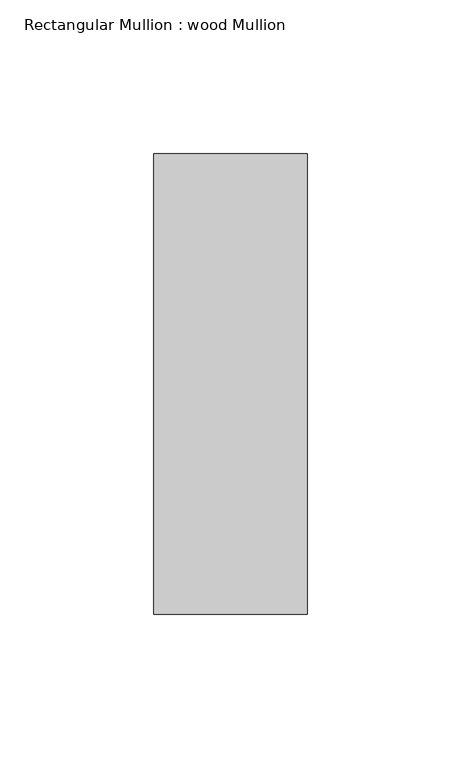
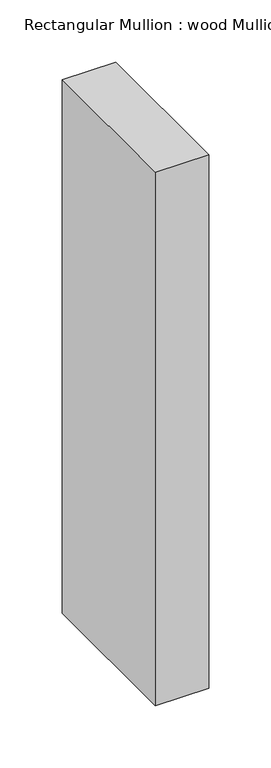
"""IFC4 building model written with IfcOpenShell, lengths in millimetres: member geometry, Rectangular Mullion : wood Mullion."""

from ifc_helpers import new_model, si_unit, frame, origin, place, context, project, spatial, polyline, outline, extrude, source, transform, mapped, element, save


def rectangular_mullion_wood_mullion_bcde16d0(model_context):
    return source(origin(), model_context, "Body", "SweptSolid", [
        extrude(outline(polyline([(25.0, 75.0), (25.0, -75.0), (-25.0, -75.0), (-25.0, 75.0), (25.0, 75.0)])), frame((0.0, 0.0, -524.9992591), z_axis=(0.0, 0.0, 1.0), x_axis=(1.0, 0.0, 0.0)), (0.0, 0.0, 1.0), 524.9992591),
    ])


if __name__ == "__main__":
    model = new_model("IFC4")
    model_context = context("Model", 3, world=origin())
    ifc_project = project(units=[si_unit("LENGTHUNIT", "METRE", prefix="MILLI")], contexts=[model_context])
    site = spatial("IfcSite", under=ifc_project)
    building = spatial("IfcBuilding", under=site)
    placement = place(None, origin())
    rectangular_mullion_wood_mullion_shape = rectangular_mullion_wood_mullion_bcde16d0(model_context)
    element("IfcMember", 1, ObjectType="Rectangular Mullion : wood Mullion", at=placement, inside=building, context=model_context, shape_type="MappedRepresentation", body=[
        mapped(rectangular_mullion_wood_mullion_shape, transform((0.0, 0.0, 0.0), x_axis=(1.0, 0.0, 0.0), y_axis=(0.0, 1.0, 0.0), z_axis=(0.0, 0.0, 1.0))),
    ])
    save(model, "model.ifc")
